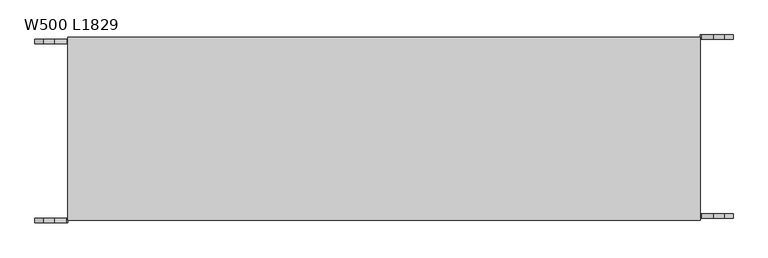
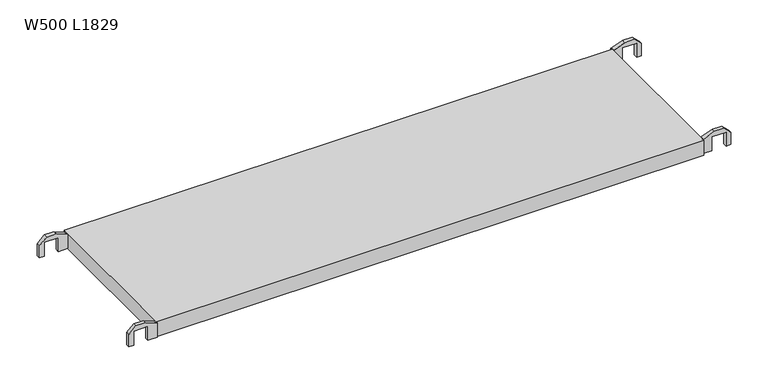
"""IFC4 building model written with IfcOpenShell, lengths in millimetres: proxy geometry, W500 L1829."""

from ifc_helpers import new_model, si_unit, frame, origin, place, context, project, spatial, polyline, outline, extrude, source, transform, mapped, element, save


def w500_l1829_38bc9923(model_context):
    return source(origin(), model_context, "Body", "SweptSolid", [
        extrude(outline(polyline([(24.1, 52.2699789), (24.1, 48.7699789), (37.5, 15.1641799), (37.5, -14.6242221), (16.179605, -37.2300211), (-24.1, -37.2300211), (-24.1, -22.2300211), (22.4243463, -22.2300211), (22.4243463, 22.7699789), (-24.1, 22.7699789), (-24.1, 52.2699789), (24.1, 52.2699789)])), frame((0.0, 488.0, 0.0), z_axis=(0.0, 1.0, 0.0), x_axis=(0.0, 0.0, 1.0)), (0.0, 0.0, 1.0), 12.0),
        extrude(outline(polyline([(24.1, 1776.6474649), (-24.1, 1776.6474649), (-24.1, 1806.1474649), (22.4243463, 1806.1474649), (22.4243463, 1851.1474649), (-24.1, 1851.1474649), (-24.1, 1866.1474649), (16.179605, 1866.1474649), (37.5, 1843.5416659), (37.5, 1813.7532639), (24.1, 1780.1474649), (24.1, 1776.6474649)])), frame((0.0, 500.0, 0.0), z_axis=(0.0, 1.0, 0.0), x_axis=(0.0, 0.0, 1.0)), (0.0, 0.0, 1.0), 12.0),
        extrude(outline(polyline([(24.1, 52.0825562), (24.1, 48.5825562), (37.5, 14.9767572), (37.5, -14.8116448), (16.179605, -37.4174438), (-24.1, -37.4174438), (-24.1, -22.4174438), (22.4243463, -22.4174438), (22.4243463, 22.5825562), (-24.1, 22.5825562), (-24.1, 52.0825562), (24.1, 52.0825562)])), frame((0.0, 0.0, 0.0), z_axis=(0.0, 1.0, 0.0), x_axis=(0.0, 0.0, 1.0)), (0.0, 0.0, 1.0), 12.0),
        extrude(outline(polyline([(24.1, 1776.6474649), (-24.1, 1776.6474649), (-24.1, 1806.1474649), (22.4243463, 1806.1474649), (22.4243463, 1851.1474649), (-24.1, 1851.1474649), (-24.1, 1866.1474649), (16.179605, 1866.1474649), (37.5, 1843.5416659), (37.5, 1813.7532639), (24.1, 1780.1474649), (24.1, 1776.6474649)])), frame((0.0, 12.0, 0.0), z_axis=(0.0, 1.0, 0.0), x_axis=(0.0, 0.0, 1.0)), (0.0, 0.0, 1.0), 12.0),
        extrude(outline(polyline([(52.0, 6.0), (52.0, 506.0), (1777.0, 506.0), (1777.0, 6.0), (52.0, 6.0)])), frame((0.0, 0.0, -25.0), z_axis=(0.0, 0.0, 1.0), x_axis=(1.0, 0.0, 0.0)), (0.0, 0.0, 1.0), 50.0),
    ])


if __name__ == "__main__":
    model = new_model("IFC4")
    model_context = context("Model", 3, world=origin())
    ifc_project = project(units=[si_unit("LENGTHUNIT", "METRE", prefix="MILLI")], contexts=[model_context])
    site = spatial("IfcSite", under=ifc_project)
    building = spatial("IfcBuilding", under=site)
    placement = place(None, origin())
    w500_l1829_shape = w500_l1829_38bc9923(model_context)
    element("IfcBuildingElementProxy", 1, Name="W500 L1829", ObjectType="W500 L1829", at=placement, inside=building, context=model_context, shape_type="MappedRepresentation", body=[
        mapped(w500_l1829_shape, transform((0.0, 0.0, 0.0), x_axis=(1.0, 0.0, 0.0), y_axis=(0.0, 1.0, 0.0), z_axis=(0.0, 0.0, 1.0))),
    ])
    save(model, "model.ifc")
